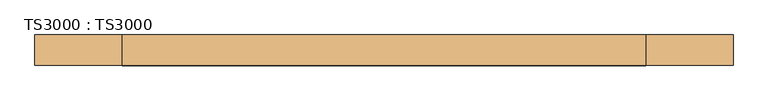
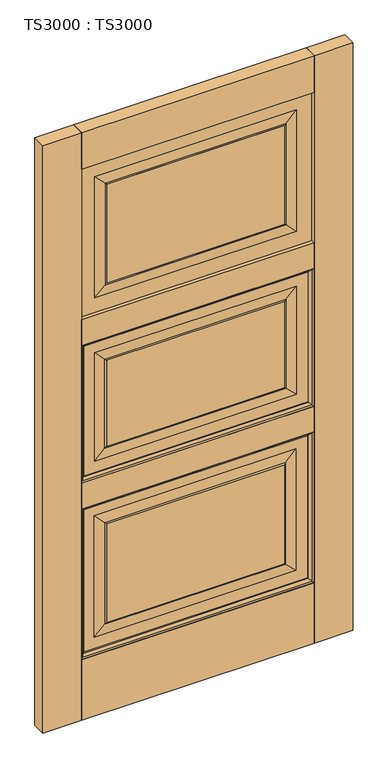
"""IFC4 building model written with IfcOpenShell, lengths in millimetres: door geometry, TS3000 : TS3000."""

from ifc_helpers import new_model, si_unit, frame, origin, origin_with_axes, place, context, project, spatial, polyline, ellipse_curve, outline, extrude, source, transform, mapped, element, save
from ifc_brep_helpers import plane_surface, revolved_surface, advanced_brep


def ts3000_ts3000_dfe12d88(model_context):
    return source(origin(), model_context, "Body", "SolidModel", [
        advanced_brep(
        [(889.0, -12.7, 1295.4), (889.0, -31.75, 1295.4), (889.0, -31.75, 819.15), (889.0, -12.7, 819.15), (127.0, -31.75, 1295.4), (127.0, -31.75, 819.15), (838.2, -31.75, 869.95), (177.8, -31.75, 869.95), (177.8, -31.75, 1244.6), (838.2, -31.75, 1244.6), (127.0, -12.7, 819.15), (127.0, -12.7, 1295.4), (838.2, -12.7, 1244.6), (177.8, -12.7, 1244.6), (177.8, -12.7, 869.95), (838.2, -12.7, 869.95), (800.1, -33.3375, 1206.5), (800.1, -11.1125, 1206.5), (800.1, -11.1125, 908.05), (800.1, -33.3375, 908.05), (804.8625, -13.49375, 1211.2625), (804.8625, -13.49375, 903.2875), (215.9, -11.1125, 908.05), (215.9, -33.3375, 908.05), (804.8625, -30.95625, 1211.2625), (804.8625, -30.95625, 903.2875), (211.1375, -13.49375, 903.2875), (215.9, -11.1125, 1206.5), (215.9, -33.3375, 1206.5), (211.1375, -30.95625, 903.2875), (211.1375, -13.49375, 1211.2625), (211.1375, -30.95625, 1211.2625)],
        [
            (0, 1),
            (1, 2),
            (2, 3),
            (3, 0),
            (1, 4),
            (4, 5),
            (5, 2),
            (6, 7),
            (7, 8),
            (8, 9),
            (9, 6),
            (5, 10),
            (10, 3),
            (10, 11),
            (11, 0),
            (12, 13),
            (13, 14),
            (14, 15),
            (15, 12),
            (16, 17),
            (17, 18),
            (18, 19),
            (19, 16),
            (17, 20, ellipse_curve(frame((805.3585938, -6.5484375, 1211.7585938), z_axis=(-0.7071067811865475, 0.0, 0.7071067811865475), x_axis=(-0.7071067811865474, 0.0, -0.7071067811865476)), 9.8471798, 6.9630076)),
            (20, 21),
            (21, 18, ellipse_curve(frame((805.3585938, -6.5484375, 902.7914062), z_axis=(-0.7071067811865475, 0.0, -0.7071067811865475), x_axis=(0.7071067811865474, 0.0, -0.7071067811865476)), 9.8471798, 6.9630076)),
            (18, 22),
            (22, 23),
            (23, 19),
            (24, 16, ellipse_curve(frame((805.3585938, -37.9015625, 1211.7585938), z_axis=(-0.7071067811865475, 0.0, 0.7071067811865475), x_axis=(-0.7071067811865474, 0.0, -0.7071067811865476)), 9.8471798, 6.9630076)),
            (19, 25, ellipse_curve(frame((805.3585938, -37.9015625, 902.7914062), z_axis=(-0.7071067811865475, 0.0, -0.7071067811865475), x_axis=(0.7071067811865474, 0.0, -0.7071067811865476)), 9.8471798, 6.9630076)),
            (25, 24),
            (4, 11),
            (21, 26),
            (26, 22, ellipse_curve(frame((210.6414063, -6.5484375, 902.7914062), z_axis=(-0.7071067811865475, 0.0, 0.7071067811865475), x_axis=(-0.7071067811865476, 0.0, -0.7071067811865474)), 9.8471798, 6.9630076)),
            (22, 27),
            (27, 28),
            (28, 23),
            (23, 29, ellipse_curve(frame((210.6414063, -37.9015625, 902.7914062), z_axis=(-0.7071067811865475, 0.0, 0.7071067811865475), x_axis=(-0.7071067811865476, 0.0, -0.7071067811865474)), 9.8471798, 6.9630076)),
            (29, 25),
            (26, 30),
            (30, 27, ellipse_curve(frame((210.6414063, -6.5484375, 1211.7585938), z_axis=(0.7071067811865475, 0.0, 0.7071067811865475), x_axis=(-0.7071067811865474, 0.0, 0.7071067811865476)), 9.8471798, 6.9630076)),
            (28, 31, ellipse_curve(frame((210.6414063, -37.9015625, 1211.7585938), z_axis=(0.7071067811865475, 0.0, 0.7071067811865475), x_axis=(-0.7071067811865474, 0.0, 0.7071067811865476)), 9.8471798, 6.9630076)),
            (31, 29),
            (6, 25),
            (29, 7),
            (31, 8),
            (9, 24),
            (26, 14),
            (13, 30),
            (21, 15),
            (20, 12),
            (27, 17),
            (16, 28),
            (31, 24),
            (20, 30),
        ],
        [
            plane_surface(frame((889.0, -31.75, 1295.4), z_axis=(1.0, 0.0, 0.0), x_axis=(0.0, 0.0, -1.0))),
            plane_surface(frame((177.8, -31.75, 1244.6), z_axis=(0.0, -1.0, 0.0), x_axis=(1.0, 0.0, 0.0))),
            plane_surface(frame((889.0, -31.75, 819.15), z_axis=(0.0, 0.0, -1.0), x_axis=(-1.0, 0.0, 0.0))),
            plane_surface(frame((127.0, -12.7, 1295.4), z_axis=(0.0, 1.0, 0.0), x_axis=(1.0, 0.0, 0.0))),
            plane_surface(frame((800.1, -11.1125, 1206.5), z_axis=(-1.0, 0.0, 0.0), x_axis=(0.0, 0.0, -1.0))),
            revolved_surface(polyline([(798.3955862, -6.5484375, 895.8283985878568), (798.3955862, -6.5484375, 1218.7216014121432)]), (805.3585938, -6.5484375, 1206.5), (0.0, 0.0, -1.0)),
            plane_surface(frame((800.1, -11.1125, 908.05), z_axis=(0.0, 0.0, 1.0), x_axis=(-1.0, 0.0, 0.0))),
            revolved_surface(polyline([(798.3955862, -37.9015625, 895.8283985878568), (798.3955862, -37.9015625, 1218.7216014121432)]), (805.3585938, -37.9015625, 1206.5), (0.0, 0.0, -1.0)),
            plane_surface(frame((127.0, -31.75, 819.15), z_axis=(-1.0, 0.0, 0.0), x_axis=(0.0, 0.0, 1.0))),
            revolved_surface(polyline([(203.67839868785677, -6.5484375, 909.7544138), (812.3216014121432, -6.5484375, 909.7544138)]), (800.1, -6.5484375, 902.7914062), (-1.0, 0.0, 0.0)),
            plane_surface(frame((215.9, -11.1125, 908.05), z_axis=(1.0, 0.0, 0.0), x_axis=(0.0, 0.0, 1.0))),
            revolved_surface(polyline([(203.67839868785677, -37.9015625, 909.7544138), (812.3216014121432, -37.9015625, 909.7544138)]), (800.1, -37.9015625, 902.7914062), (-1.0, 0.0, 0.0)),
            revolved_surface(polyline([(217.6044139, -6.5484375, 1218.7216014121432), (217.6044139, -6.5484375, 895.8283985878568)]), (210.6414063, -6.5484375, 908.05), (0.0, 0.0, 1.0)),
            revolved_surface(polyline([(217.6044139, -37.9015625, 1218.7216014121432), (217.6044139, -37.9015625, 895.8283985878568)]), (210.6414063, -37.9015625, 908.05), (0.0, 0.0, 1.0)),
            plane_surface(frame((804.8625, -30.95625, 903.2875), z_axis=(0.0, -0.9997166737441345, 0.023802777946362628), x_axis=(-1.0, 0.0, 0.0))),
            plane_surface(frame((211.1375, -30.95625, 903.2875), z_axis=(0.02380277794635939, -0.9997166737441346, 0.0), x_axis=(0.0, 0.0, 1.0))),
            plane_surface(frame((804.8625, -30.95625, 1211.2625), z_axis=(-0.023802777946365865, -0.9997166737441344, 0.0), x_axis=(0.0, 0.0, -1.0))),
            plane_surface(frame((177.8, -12.7, 869.95), z_axis=(0.0238027779463033, 0.9997166737441359, 0.0), x_axis=(0.0, 0.0, 1.0))),
            plane_surface(frame((838.2, -12.7, 869.95), z_axis=(0.0, 0.999716673744136, 0.023802777946300063), x_axis=(-1.0, 0.0, 0.0))),
            plane_surface(frame((838.2, -12.7, 1244.6), z_axis=(-0.023802777946296826, 0.9997166737441361, 0.0), x_axis=(0.0, 0.0, -1.0))),
            plane_surface(frame((127.0, -31.75, 1295.4), z_axis=(0.0, 0.0, 1.0), x_axis=(1.0, 0.0, 0.0))),
            plane_surface(frame((215.9, -11.1125, 1206.5), z_axis=(0.0, 0.0, -1.0), x_axis=(1.0, 0.0, 0.0))),
            plane_surface(frame((211.1375, -30.95625, 1211.2625), z_axis=(0.0, -0.9997166737441345, -0.023802777946362628), x_axis=(1.0, 0.0, 0.0))),
            plane_surface(frame((177.8, -12.7, 1244.6), z_axis=(0.0, 0.999716673744136, -0.023802777946300063), x_axis=(1.0, 0.0, 0.0))),
            revolved_surface(polyline([(812.3216014121432, -6.5484375, 1204.7955862), (203.6783986878568, -6.5484375, 1204.7955862)]), (215.9, -6.5484375, 1211.7585938), (1.0, 0.0, 0.0)),
            revolved_surface(polyline([(812.3216014121432, -37.9015625, 1204.7955862), (203.6783986878568, -37.9015625, 1204.7955862)]), (215.9, -37.9015625, 1211.7585938), (1.0, 0.0, 0.0)),
        ],
        [
            (0, [[1, 2, 3, 4]]),
            (1, [[5, 6, 7, -2], [8, 9, 10, 11]]),
            (2, [[-3, -7, 12, 13]]),
            (3, [[-13, 14, 15, -4], [16, 17, 18, 19]]),
            (4, [[20, 21, 22, 23]]),
            (5, [[24, 25, 26, -21]]),
            (6, [[-22, 27, 28, 29]]),
            (7, [[30, -23, 31, 32]]),
            (8, [[-12, -6, 33, -14]]),
            (9, [[-26, 34, 35, -27]]),
            (10, [[-28, 36, 37, 38]]),
            (11, [[-31, -29, 39, 40]]),
            (12, [[-35, 41, 42, -36]]),
            (13, [[-39, -38, 43, 44]]),
            (14, [[45, -40, 46, -8]]),
            (15, [[-46, -44, 47, -9]]),
            (16, [[48, -32, -45, -11]]),
            (17, [[49, -17, 50, -41]]),
            (18, [[51, -18, -49, -34]]),
            (19, [[52, -19, -51, -25]]),
            (20, [[-33, -5, -1, -15]]),
            (21, [[-37, 53, -20, 54]]),
            (22, [[-47, 55, -48, -10]]),
            (23, [[-50, -16, -52, 56]]),
            (24, [[-42, -56, -24, -53]]),
            (25, [[-43, -54, -30, -55]]),
        ],
    ),
        extrude(outline(polyline([(889.0, -44.45), (127.0, -44.45), (127.0, 0.0), (889.0, 0.0), (889.0, -44.45)])), origin_with_axes(), (0.0, 0.0, 1.0), 209.55),
        extrude(outline(polyline([(889.0, -44.45), (127.0, -44.45), (127.0, 0.0), (889.0, 0.0), (889.0, -44.45)])), frame((0.0, 0.0, 730.25), z_axis=(0.0, 0.0, 1.0), x_axis=(1.0, 0.0, 0.0)), (0.0, 0.0, 1.0), 88.9),
        extrude(outline(polyline([(889.0, -44.45), (127.0, -44.45), (127.0, 0.0), (889.0, 0.0), (889.0, -44.45)])), frame((0.0, 0.0, 1905.0), z_axis=(0.0, 0.0, 1.0), x_axis=(1.0, 0.0, 0.0)), (0.0, 0.0, 1.0), 127.0),
        extrude(outline(polyline([(889.0, -44.45), (127.0, -44.45), (127.0, 0.0), (889.0, 0.0), (889.0, -44.45)])), frame((0.0, 0.0, 1295.4), z_axis=(0.0, 0.0, 1.0), x_axis=(1.0, 0.0, 0.0)), (0.0, 0.0, 1.0), 88.9),
        extrude(outline(polyline([(1016.0, -44.45), (889.0, -44.45), (889.0, 0.0), (1016.0, 0.0), (1016.0, -44.45)])), origin_with_axes(), (0.0, 0.0, 1.0), 2032.0),
        extrude(outline(polyline([(127.0, -44.45), (0.0, -44.45), (0.0, 0.0), (127.0, 0.0), (127.0, -44.45)])), origin_with_axes(), (0.0, 0.0, 1.0), 2032.0),
        advanced_brep(
        [(889.0, -15.875, 730.25), (889.0, -28.575, 730.25), (889.0, -28.575, 209.55), (889.0, -15.875, 209.55), (800.1, -33.3375, 641.35), (800.1, -11.1125, 641.35), (800.1, -11.1125, 298.45), (800.1, -33.3375, 298.45), (127.0, -28.575, 209.55), (127.0, -15.875, 209.55), (215.9, -11.1125, 298.45), (215.9, -33.3375, 298.45), (127.0, -28.575, 730.25), (127.0, -15.875, 730.25), (215.9, -11.1125, 641.35), (215.9, -33.3375, 641.35), (838.2, -28.575, 260.35), (177.8, -28.575, 260.35), (177.8, -28.575, 679.45), (838.2, -28.575, 679.45), (838.2, -15.875, 679.45), (177.8, -15.875, 679.45), (177.8, -15.875, 260.35), (838.2, -15.875, 260.35), (804.8625, -30.95625, 646.1125), (804.8625, -30.95625, 293.6875), (211.1375, -30.95625, 293.6875), (211.1375, -30.95625, 646.1125), (804.8625, -13.49375, 646.1125), (804.8625, -13.49375, 293.6875), (211.1375, -13.49375, 293.6875), (211.1375, -13.49375, 646.1125)],
        [
            (0, 1),
            (1, 2),
            (2, 3),
            (3, 0),
            (4, 5),
            (5, 6),
            (6, 7),
            (7, 4),
            (2, 8),
            (8, 9),
            (9, 3),
            (6, 10),
            (10, 11),
            (11, 7),
            (8, 12),
            (12, 13),
            (13, 9),
            (10, 14),
            (14, 15),
            (15, 11),
            (1, 12),
            (16, 17),
            (17, 18),
            (18, 19),
            (19, 16),
            (0, 13),
            (20, 21),
            (21, 22),
            (22, 23),
            (23, 20),
            (14, 5),
            (4, 15),
            (19, 24),
            (24, 25),
            (25, 16),
            (25, 26),
            (26, 17),
            (26, 27),
            (27, 18),
            (27, 24),
            (28, 20),
            (23, 29),
            (29, 28),
            (5, 28, ellipse_curve(frame((805.3585938, -6.5484375, 646.6085938), z_axis=(-0.7071067811865475, 0.0, 0.7071067811865475), x_axis=(-0.7071067811865474, 0.0, -0.7071067811865476)), 9.8471798, 6.9630076)),
            (29, 6, ellipse_curve(frame((805.3585938, -6.5484375, 293.1914062), z_axis=(-0.7071067811865475, 0.0, -0.7071067811865475), x_axis=(0.7071067811865474, 0.0, -0.7071067811865476)), 9.8471798, 6.9630076)),
            (24, 4, ellipse_curve(frame((805.3585938, -37.9015625, 646.6085938), z_axis=(-0.7071067811865475, 0.0, 0.7071067811865475), x_axis=(-0.7071067811865474, 0.0, -0.7071067811865476)), 9.8471798, 6.9630076)),
            (7, 25, ellipse_curve(frame((805.3585938, -37.9015625, 293.1914062), z_axis=(-0.7071067811865475, 0.0, -0.7071067811865475), x_axis=(0.7071067811865474, 0.0, -0.7071067811865476)), 9.8471798, 6.9630076)),
            (22, 30),
            (30, 29),
            (30, 10, ellipse_curve(frame((210.6414063, -6.5484375, 293.1914062), z_axis=(-0.7071067811865475, 0.0, 0.7071067811865475), x_axis=(-0.7071067811865476, 0.0, -0.7071067811865474)), 9.8471798, 6.9630076)),
            (11, 26, ellipse_curve(frame((210.6414063, -37.9015625, 293.1914062), z_axis=(-0.7071067811865475, 0.0, 0.7071067811865475), x_axis=(-0.7071067811865476, 0.0, -0.7071067811865474)), 9.8471798, 6.9630076)),
            (21, 31),
            (31, 30),
            (31, 14, ellipse_curve(frame((210.6414063, -6.5484375, 646.6085938), z_axis=(0.7071067811865475, 0.0, 0.7071067811865475), x_axis=(-0.7071067811865474, 0.0, 0.7071067811865476)), 9.8471798, 6.9630076)),
            (15, 27, ellipse_curve(frame((210.6414063, -37.9015625, 646.6085938), z_axis=(0.7071067811865475, 0.0, 0.7071067811865475), x_axis=(-0.7071067811865474, 0.0, 0.7071067811865476)), 9.8471798, 6.9630076)),
            (28, 31),
        ],
        [
            plane_surface(frame((889.0, -28.575, 730.25), z_axis=(1.0, 0.0, 0.0), x_axis=(0.0, 0.0, -1.0))),
            plane_surface(frame((800.1, -11.1125, 641.35), z_axis=(-1.0, 0.0, 0.0), x_axis=(0.0, 0.0, -1.0))),
            plane_surface(frame((889.0, -28.575, 209.55), z_axis=(0.0, 0.0, -1.0), x_axis=(-1.0, 0.0, 0.0))),
            plane_surface(frame((800.1, -11.1125, 298.45), z_axis=(0.0, 0.0, 1.0), x_axis=(-1.0, 0.0, 0.0))),
            plane_surface(frame((127.0, -28.575, 209.55), z_axis=(-1.0, 0.0, 0.0), x_axis=(0.0, 0.0, 1.0))),
            plane_surface(frame((215.9, -11.1125, 298.45), z_axis=(1.0, 0.0, 0.0), x_axis=(0.0, 0.0, 1.0))),
            plane_surface(frame((177.8, -28.575, 679.45), z_axis=(0.0, -1.0, 0.0), x_axis=(1.0, 0.0, 0.0))),
            plane_surface(frame((127.0, -28.575, 730.25), z_axis=(0.0, 0.0, 1.0), x_axis=(1.0, 0.0, 0.0))),
            plane_surface(frame((127.0, -15.875, 730.25), z_axis=(0.0, 1.0, 0.0), x_axis=(1.0, 0.0, 0.0))),
            plane_surface(frame((215.9, -11.1125, 641.35), z_axis=(0.0, 0.0, -1.0), x_axis=(1.0, 0.0, 0.0))),
            plane_surface(frame((804.8625, -30.95625, 646.1125), z_axis=(0.07124704998802811, -0.9974586998307265, 0.0), x_axis=(0.0, 0.0, -1.0))),
            plane_surface(frame((804.8625, -30.95625, 293.6875), z_axis=(0.0, -0.9974586998307263, -0.07124704998803134), x_axis=(-1.0, 0.0, 0.0))),
            plane_surface(frame((211.1375, -30.95625, 293.6875), z_axis=(-0.07124704998803458, -0.9974586998307261, 0.0), x_axis=(0.0, 0.0, 1.0))),
            plane_surface(frame((211.1375, -30.95625, 646.1125), z_axis=(0.0, -0.9974586998307263, 0.07124704998803134), x_axis=(1.0, 0.0, 0.0))),
            plane_surface(frame((838.2, -15.875, 679.45), z_axis=(0.07124704998803484, 0.9974586998307261, 0.0), x_axis=(0.0, 0.0, -1.0))),
            revolved_surface(polyline([(798.3955862, -6.5484375, 286.2283985878568), (798.3955862, -6.5484375, 653.5716014121432)]), (805.3585938, -6.5484375, 641.35), (0.0, 0.0, -1.0)),
            revolved_surface(polyline([(798.3955862, -37.9015625, 286.2283985878568), (798.3955862, -37.9015625, 653.5716014121432)]), (805.3585938, -37.9015625, 641.35), (0.0, 0.0, -1.0)),
            plane_surface(frame((838.2, -15.875, 260.35), z_axis=(0.0, 0.9974586998307263, -0.07124704998803161), x_axis=(-1.0, 0.0, 0.0))),
            revolved_surface(polyline([(203.67839868785677, -6.5484375, 300.15441380000004), (812.3216014121432, -6.5484375, 300.15441380000004)]), (800.1, -6.5484375, 293.1914062), (-1.0, 0.0, 0.0)),
            revolved_surface(polyline([(203.67839868785677, -37.9015625, 300.15441380000004), (812.3216014121432, -37.9015625, 300.15441380000004)]), (800.1, -37.9015625, 293.1914062), (-1.0, 0.0, 0.0)),
            plane_surface(frame((177.8, -15.875, 260.35), z_axis=(-0.07124704998802837, 0.9974586998307265, 0.0), x_axis=(0.0, 0.0, 1.0))),
            revolved_surface(polyline([(217.6044139, -6.5484375, 653.5716014121432), (217.6044139, -6.5484375, 286.2283985878568)]), (210.6414063, -6.5484375, 298.45), (0.0, 0.0, 1.0)),
            revolved_surface(polyline([(217.6044139, -37.9015625, 653.5716014121432), (217.6044139, -37.9015625, 286.2283985878568)]), (210.6414063, -37.9015625, 298.45), (0.0, 0.0, 1.0)),
            plane_surface(frame((177.8, -15.875, 679.45), z_axis=(0.0, 0.9974586998307263, 0.07124704998803161), x_axis=(1.0, 0.0, 0.0))),
            revolved_surface(polyline([(812.3216014121432, -6.5484375, 639.6455862), (203.6783986878568, -6.5484375, 639.6455862)]), (215.9, -6.5484375, 646.6085938), (1.0, 0.0, 0.0)),
            revolved_surface(polyline([(812.3216014121432, -37.9015625, 639.6455862), (203.6783986878568, -37.9015625, 639.6455862)]), (215.9, -37.9015625, 646.6085938), (1.0, 0.0, 0.0)),
        ],
        [
            (0, [[1, 2, 3, 4]]),
            (1, [[5, 6, 7, 8]]),
            (2, [[-3, 9, 10, 11]]),
            (3, [[-7, 12, 13, 14]]),
            (4, [[-10, 15, 16, 17]]),
            (5, [[-13, 18, 19, 20]]),
            (6, [[21, -15, -9, -2], [22, 23, 24, 25]]),
            (7, [[-16, -21, -1, 26]]),
            (8, [[-11, -17, -26, -4], [27, 28, 29, 30]]),
            (9, [[-19, 31, -5, 32]]),
            (10, [[33, 34, 35, -25]]),
            (11, [[-35, 36, 37, -22]]),
            (12, [[-37, 38, 39, -23]]),
            (13, [[-39, 40, -33, -24]]),
            (14, [[41, -30, 42, 43]]),
            (15, [[44, -43, 45, -6]]),
            (16, [[46, -8, 47, -34]]),
            (17, [[-42, -29, 48, 49]]),
            (18, [[-45, -49, 50, -12]]),
            (19, [[-47, -14, 51, -36]]),
            (20, [[-48, -28, 52, 53]]),
            (21, [[-50, -53, 54, -18]]),
            (22, [[-51, -20, 55, -38]]),
            (23, [[-52, -27, -41, 56]]),
            (24, [[-54, -56, -44, -31]]),
            (25, [[-55, -32, -46, -40]]),
        ],
    ),
        advanced_brep(
        [(889.0, -12.7, 1905.0), (889.0, -31.75, 1905.0), (889.0, -31.75, 1384.3), (889.0, -12.7, 1384.3), (800.1, -33.3375, 1816.1), (800.1, -11.1125, 1816.1), (800.1, -11.1125, 1473.2), (800.1, -33.3375, 1473.2), (127.0, -31.75, 1384.3), (127.0, -12.7, 1384.3), (215.9, -11.1125, 1473.2), (215.9, -33.3375, 1473.2), (127.0, -31.75, 1905.0), (127.0, -12.7, 1905.0), (215.9, -11.1125, 1816.1), (215.9, -33.3375, 1816.1), (838.2, -31.75, 1435.1), (177.8, -31.75, 1435.1), (177.8, -31.75, 1854.2), (838.2, -31.75, 1854.2), (838.2, -12.7, 1854.2), (177.8, -12.7, 1854.2), (177.8, -12.7, 1435.1), (838.2, -12.7, 1435.1), (804.8625, -32.54375, 1820.8625), (804.8625, -32.54375, 1468.4375), (211.1375, -32.54375, 1468.4375), (211.1375, -32.54375, 1820.8625), (804.8625, -11.90625, 1820.8625), (804.8625, -11.90625, 1468.4375), (211.1375, -11.90625, 1468.4375), (211.1375, -11.90625, 1820.8625)],
        [
            (0, 1),
            (1, 2),
            (2, 3),
            (3, 0),
            (4, 5),
            (5, 6),
            (6, 7),
            (7, 4),
            (2, 8),
            (8, 9),
            (9, 3),
            (6, 10),
            (10, 11),
            (11, 7),
            (8, 12),
            (12, 13),
            (13, 9),
            (10, 14),
            (14, 15),
            (15, 11),
            (1, 12),
            (16, 17),
            (17, 18),
            (18, 19),
            (19, 16),
            (0, 13),
            (20, 21),
            (21, 22),
            (22, 23),
            (23, 20),
            (14, 5),
            (4, 15),
            (19, 24),
            (24, 25),
            (25, 16),
            (25, 26),
            (26, 17),
            (26, 27),
            (27, 18),
            (27, 24),
            (28, 20),
            (23, 29),
            (29, 28),
            (5, 28, ellipse_curve(frame((805.3585938, 5.7546875, 1821.3585938), z_axis=(-0.7071067811865475, 0.0, 0.7071067811865475), x_axis=(-0.7071067811865474, 0.0, -0.7071067811865476)), 24.9861891, 17.6679037)),
            (29, 6, ellipse_curve(frame((805.3585938, 5.7546875, 1467.9414063), z_axis=(-0.7071067811865475, 0.0, -0.7071067811865475), x_axis=(0.7071067811865474, 0.0, -0.7071067811865476)), 24.9861891, 17.6679037)),
            (24, 4, ellipse_curve(frame((805.3585938, -50.2046875, 1821.3585938), z_axis=(-0.7071067811865475, 0.0, 0.7071067811865475), x_axis=(-0.7071067811865474, 0.0, -0.7071067811865476)), 24.9861891, 17.6679037)),
            (7, 25, ellipse_curve(frame((805.3585938, -50.2046875, 1467.9414063), z_axis=(-0.7071067811865475, 0.0, -0.7071067811865475), x_axis=(0.7071067811865474, 0.0, -0.7071067811865476)), 24.9861891, 17.6679037)),
            (22, 30),
            (30, 29),
            (30, 10, ellipse_curve(frame((210.6414063, 5.7546875, 1467.9414063), z_axis=(-0.7071067811865475, 0.0, 0.7071067811865475), x_axis=(-0.7071067811865476, 0.0, -0.7071067811865474)), 24.9861891, 17.6679037)),
            (11, 26, ellipse_curve(frame((210.6414063, -50.2046875, 1467.9414063), z_axis=(-0.7071067811865475, 0.0, 0.7071067811865475), x_axis=(-0.7071067811865476, 0.0, -0.7071067811865474)), 24.9861891, 17.6679037)),
            (21, 31),
            (31, 30),
            (31, 14, ellipse_curve(frame((210.6414063, 5.7546875, 1821.3585938), z_axis=(0.7071067811865475, 0.0, 0.7071067811865475), x_axis=(-0.7071067811865474, 0.0, 0.7071067811865476)), 24.9861891, 17.6679037)),
            (15, 27, ellipse_curve(frame((210.6414063, -50.2046875, 1821.3585938), z_axis=(0.7071067811865475, 0.0, 0.7071067811865475), x_axis=(-0.7071067811865474, 0.0, 0.7071067811865476)), 24.9861891, 17.6679037)),
            (28, 31),
        ],
        [
            plane_surface(frame((889.0, -31.75, 1905.0), z_axis=(1.0, 0.0, 0.0), x_axis=(0.0, 0.0, -1.0))),
            plane_surface(frame((800.1, -11.1125, 1816.1), z_axis=(-1.0, 0.0, 0.0), x_axis=(0.0, 0.0, -1.0))),
            plane_surface(frame((889.0, -31.75, 1384.3), z_axis=(0.0, 0.0, -1.0), x_axis=(-1.0, 0.0, 0.0))),
            plane_surface(frame((800.1, -11.1125, 1473.2), z_axis=(0.0, 0.0, 1.0), x_axis=(-1.0, 0.0, 0.0))),
            plane_surface(frame((127.0, -31.75, 1384.3), z_axis=(-1.0, 0.0, 0.0), x_axis=(0.0, 0.0, 1.0))),
            plane_surface(frame((215.9, -11.1125, 1473.2), z_axis=(1.0, 0.0, 0.0), x_axis=(0.0, 0.0, 1.0))),
            plane_surface(frame((177.8, -31.75, 1854.2), z_axis=(0.0, -1.0, 0.0), x_axis=(1.0, 0.0, 0.0))),
            plane_surface(frame((127.0, -31.75, 1905.0), z_axis=(0.0, 0.0, 1.0), x_axis=(1.0, 0.0, 0.0))),
            plane_surface(frame((127.0, -12.7, 1905.0), z_axis=(0.0, 1.0, 0.0), x_axis=(1.0, 0.0, 0.0))),
            plane_surface(frame((215.9, -11.1125, 1816.1), z_axis=(0.0, 0.0, -1.0), x_axis=(1.0, 0.0, 0.0))),
            plane_surface(frame((804.8625, -32.54375, 1820.8625), z_axis=(0.02380277794632505, -0.9997166737441353, 0.0), x_axis=(0.0, 0.0, -1.0))),
            plane_surface(frame((804.8625, -32.54375, 1468.4375), z_axis=(0.0, -0.9997166737441353, -0.02380277794632829), x_axis=(-1.0, 0.0, 0.0))),
            plane_surface(frame((211.1375, -32.54375, 1468.4375), z_axis=(-0.023802777946331528, -0.9997166737441352, 0.0), x_axis=(0.0, 0.0, 1.0))),
            plane_surface(frame((211.1375, -32.54375, 1820.8625), z_axis=(0.0, -0.9997166737441353, 0.02380277794632829), x_axis=(1.0, 0.0, 0.0))),
            plane_surface(frame((838.2, -12.7, 1854.2), z_axis=(0.023802777946332287, 0.9997166737441352, 0.0), x_axis=(0.0, 0.0, -1.0))),
            revolved_surface(polyline([(787.6906901, 5.7546875, 1450.2735025513805), (787.6906901, 5.7546875, 1839.0264975486195)]), (805.3585938, 5.7546875, 1816.1), (0.0, 0.0, -1.0)),
            revolved_surface(polyline([(787.6906901, -50.2046875, 1450.2735025513805), (787.6906901, -50.2046875, 1839.0264975486195)]), (805.3585938, -50.2046875, 1816.1), (0.0, 0.0, -1.0)),
            plane_surface(frame((838.2, -12.7, 1435.1), z_axis=(0.0, 0.9997166737441353, -0.02380277794632905), x_axis=(-1.0, 0.0, 0.0))),
            revolved_surface(polyline([(192.97350255138053, 5.7546875, 1485.6093099999998), (823.0264975486194, 5.7546875, 1485.6093099999998)]), (800.1, 5.7546875, 1467.9414063), (-1.0, 0.0, 0.0)),
            revolved_surface(polyline([(192.97350255138053, -50.2046875, 1485.6093099999998), (823.0264975486194, -50.2046875, 1485.6093099999998)]), (800.1, -50.2046875, 1467.9414063), (-1.0, 0.0, 0.0)),
            plane_surface(frame((177.8, -12.7, 1435.1), z_axis=(-0.023802777946325814, 0.9997166737441354, 0.0), x_axis=(0.0, 0.0, 1.0))),
            revolved_surface(polyline([(228.30931, 5.7546875, 1839.0264975486195), (228.30931, 5.7546875, 1450.2735025513805)]), (210.6414063, 5.7546875, 1473.2), (0.0, 0.0, 1.0)),
            revolved_surface(polyline([(228.30931, -50.2046875, 1839.0264975486195), (228.30931, -50.2046875, 1450.2735025513805)]), (210.6414063, -50.2046875, 1473.2), (0.0, 0.0, 1.0)),
            plane_surface(frame((177.8, -12.7, 1854.2), z_axis=(0.0, 0.9997166737441353, 0.02380277794632905), x_axis=(1.0, 0.0, 0.0))),
            revolved_surface(polyline([(823.0264975486194, 5.7546875, 1803.6906901000002), (192.9735025513806, 5.7546875, 1803.6906901000002)]), (215.9, 5.7546875, 1821.3585938), (1.0, 0.0, 0.0)),
            revolved_surface(polyline([(823.0264975486194, -50.2046875, 1803.6906901000002), (192.9735025513806, -50.2046875, 1803.6906901000002)]), (215.9, -50.2046875, 1821.3585938), (1.0, 0.0, 0.0)),
        ],
        [
            (0, [[1, 2, 3, 4]]),
            (1, [[5, 6, 7, 8]]),
            (2, [[-3, 9, 10, 11]]),
            (3, [[-7, 12, 13, 14]]),
            (4, [[-10, 15, 16, 17]]),
            (5, [[-13, 18, 19, 20]]),
            (6, [[21, -15, -9, -2], [22, 23, 24, 25]]),
            (7, [[-16, -21, -1, 26]]),
            (8, [[-11, -17, -26, -4], [27, 28, 29, 30]]),
            (9, [[-19, 31, -5, 32]]),
            (10, [[33, 34, 35, -25]]),
            (11, [[-35, 36, 37, -22]]),
            (12, [[-37, 38, 39, -23]]),
            (13, [[-39, 40, -33, -24]]),
            (14, [[41, -30, 42, 43]]),
            (15, [[44, -43, 45, -6]]),
            (16, [[46, -8, 47, -34]]),
            (17, [[-42, -29, 48, 49]]),
            (18, [[-45, -49, 50, -12]]),
            (19, [[-47, -14, 51, -36]]),
            (20, [[-48, -28, 52, 53]]),
            (21, [[-50, -53, 54, -18]]),
            (22, [[-51, -20, 55, -38]]),
            (23, [[-52, -27, -41, 56]]),
            (24, [[-54, -56, -44, -31]]),
            (25, [[-55, -32, -46, -40]]),
        ],
    ),
        extrude(outline(polyline([(215.9, -11.1125), (800.1, -11.1125), (800.1, -33.3375), (215.9, -33.3375), (215.9, -11.1125)])), frame((0.0, 0.0, 1473.2), z_axis=(0.0, 0.0, 1.0), x_axis=(1.0, 0.0, 0.0)), (0.0, 0.0, 1.0), 342.9),
        extrude(outline(polyline([(215.9, -11.1125), (800.1, -11.1125), (800.1, -33.3375), (215.9, -33.3375), (215.9, -11.1125)])), frame((0.0, 0.0, 298.45), z_axis=(0.0, 0.0, 1.0), x_axis=(1.0, 0.0, 0.0)), (0.0, 0.0, 1.0), 342.9),
        extrude(outline(polyline([(215.9, -11.1125), (800.1, -11.1125), (800.1, -33.3375), (215.9, -33.3375), (215.9, -11.1125)])), frame((0.0, 0.0, 908.05), z_axis=(0.0, 0.0, 1.0), x_axis=(1.0, 0.0, 0.0)), (0.0, 0.0, 1.0), 298.45),
        advanced_brep(
        [(889.0, -31.75, 730.25), (889.0, -44.4610047, 730.25), (889.0, -44.4610047, 209.55), (889.0, -31.75, 209.55), (876.2912454, -34.925, 717.5412454), (876.2912454, -31.75, 717.5412454), (876.2912454, -31.75, 222.2587546), (876.2912454, -34.925, 222.2587546), (884.1328423, -41.275, 725.3828423), (884.1328423, -41.275, 214.4171577), (127.0, -44.4610047, 209.55), (127.0, -31.75, 209.55), (139.7087546, -31.75, 222.2587546), (139.7087546, -34.925, 222.2587546), (131.8671577, -41.275, 214.4171577), (127.0, -44.4610047, 730.25), (127.0, -31.75, 730.25), (139.7087546, -31.75, 717.5412454), (139.7087546, -34.925, 717.5412454), (131.8671577, -41.275, 725.3828423)],
        [
            (0, 1),
            (1, 2),
            (2, 3),
            (3, 0),
            (4, 5),
            (5, 6),
            (6, 7),
            (7, 4),
            (8, 4, ellipse_curve(frame((872.149739, -48.0561173, 713.399739), z_axis=(-0.7071067811865475, 0.0, 0.7071067811865475), x_axis=(-0.7071067811865474, 0.0, -0.7071067811865476)), 19.4719447, 13.7687442)),
            (7, 9, ellipse_curve(frame((872.149739, -48.0561173, 226.400261), z_axis=(-0.7071067811865475, 0.0, -0.7071067811865475), x_axis=(0.7071067811865474, 0.0, -0.7071067811865476)), 19.4719447, 13.7687442)),
            (9, 8),
            (1, 8, ellipse_curve(frame((881.0613821, -51.2778746, 722.3113821), z_axis=(-0.7071067811865475, 0.0, 0.7071067811865475), x_axis=(-0.7071067811865474, 0.0, -0.7071067811865476)), 14.7980653, 10.4638123)),
            (9, 2, ellipse_curve(frame((881.0613821, -51.2778746, 217.4886179), z_axis=(-0.7071067811865475, 0.0, -0.7071067811865475), x_axis=(0.7071067811865474, 0.0, -0.7071067811865476)), 14.7980653, 10.4638123)),
            (2, 10),
            (10, 11),
            (11, 3),
            (6, 12),
            (12, 13),
            (13, 7),
            (13, 14, ellipse_curve(frame((143.850261, -48.0561173, 226.400261), z_axis=(-0.7071067811865475, 0.0, 0.7071067811865475), x_axis=(-0.7071067811865476, 0.0, -0.7071067811865474)), 19.4719447, 13.7687442)),
            (14, 9),
            (14, 10, ellipse_curve(frame((134.9386179, -51.2778746, 217.4886179), z_axis=(-0.7071067811865475, 0.0, 0.7071067811865475), x_axis=(-0.7071067811865476, 0.0, -0.7071067811865474)), 14.7980653, 10.4638123)),
            (10, 15),
            (15, 16),
            (16, 11),
            (12, 17),
            (17, 18),
            (18, 13),
            (18, 19, ellipse_curve(frame((143.850261, -48.0561173, 713.399739), z_axis=(0.7071067811865475, 0.0, 0.7071067811865475), x_axis=(-0.7071067811865474, 0.0, 0.7071067811865476)), 19.4719447, 13.7687442)),
            (19, 14),
            (19, 15, ellipse_curve(frame((134.9386179, -51.2778746, 722.3113821), z_axis=(0.7071067811865475, 0.0, 0.7071067811865475), x_axis=(-0.7071067811865474, 0.0, 0.7071067811865476)), 14.7980653, 10.4638123)),
            (15, 1),
            (0, 16),
            (5, 17),
            (4, 18),
            (8, 19),
        ],
        [
            plane_surface(frame((889.0, -44.4610047, 730.25), z_axis=(1.0, 0.0, 0.0), x_axis=(0.0, 0.0, -1.0))),
            plane_surface(frame((876.2912454, -31.75, 717.5412454), z_axis=(-1.0, 0.0, 0.0), x_axis=(0.0, 0.0, -1.0))),
            revolved_surface(polyline([(858.3809947999999, -48.0561173, 212.6315168597406), (858.3809947999999, -48.0561173, 727.1684831402594)]), (872.149739, -48.0561173, 730.25), (0.0, 0.0, -1.0)),
            revolved_surface(polyline([(870.5975698, -51.2778746, 207.02480557792865), (870.5975698, -51.2778746, 732.7751944220713)]), (881.0613821, -51.2778746, 730.25), (0.0, 0.0, -1.0)),
            plane_surface(frame((889.0, -44.4610047, 209.55), z_axis=(0.0, 0.0, -1.0), x_axis=(-1.0, 0.0, 0.0))),
            plane_surface(frame((876.2912454, -31.75, 222.2587546), z_axis=(0.0, 0.0, 1.0), x_axis=(-1.0, 0.0, 0.0))),
            revolved_surface(polyline([(130.08151685974065, -48.0561173, 240.16900520000002), (885.9184831402594, -48.0561173, 240.16900520000002)]), (889.0, -48.0561173, 226.400261), (-1.0, 0.0, 0.0)),
            revolved_surface(polyline([(124.47480557792869, -51.2778746, 227.9524302), (891.5251944220713, -51.2778746, 227.9524302)]), (889.0, -51.2778746, 217.4886179), (-1.0, 0.0, 0.0)),
            plane_surface(frame((127.0, -44.4610047, 209.55), z_axis=(-1.0, 0.0, 0.0), x_axis=(0.0, 0.0, 1.0))),
            plane_surface(frame((139.7087546, -31.75, 222.2587546), z_axis=(1.0, 0.0, 0.0), x_axis=(0.0, 0.0, 1.0))),
            revolved_surface(polyline([(157.6190052, -48.0561173, 727.1684831402595), (157.6190052, -48.0561173, 212.63151685974054)]), (143.850261, -48.0561173, 209.55), (0.0, 0.0, 1.0)),
            revolved_surface(polyline([(145.4024302, -51.2778746, 732.7751944220713), (145.4024302, -51.2778746, 207.02480557792867)]), (134.9386179, -51.2778746, 209.55), (0.0, 0.0, 1.0)),
            plane_surface(frame((127.0, -44.4610047, 730.25), z_axis=(0.0, 0.0, 1.0), x_axis=(1.0, 0.0, 0.0))),
            plane_surface(frame((127.0, -31.75, 730.25), z_axis=(0.0, 1.0, 0.0), x_axis=(1.0, 0.0, 0.0))),
            plane_surface(frame((139.7087546, -31.75, 717.5412454), z_axis=(0.0, 0.0, -1.0), x_axis=(1.0, 0.0, 0.0))),
            revolved_surface(polyline([(885.9184831402594, -48.0561173, 699.6309947999999), (130.08151685974053, -48.0561173, 699.6309947999999)]), (127.0, -48.0561173, 713.399739), (1.0, 0.0, 0.0)),
            revolved_surface(polyline([(891.5251944220713, -51.2778746, 711.8475698), (124.47480557792866, -51.2778746, 711.8475698)]), (127.0, -51.2778746, 722.3113821), (1.0, 0.0, 0.0)),
        ],
        [
            (0, [[1, 2, 3, 4]]),
            (1, [[5, 6, 7, 8]]),
            (2, [[9, -8, 10, 11]]),
            (3, [[12, -11, 13, -2]]),
            (4, [[-3, 14, 15, 16]]),
            (5, [[-7, 17, 18, 19]]),
            (6, [[-10, -19, 20, 21]]),
            (7, [[-13, -21, 22, -14]]),
            (8, [[-15, 23, 24, 25]]),
            (9, [[-18, 26, 27, 28]]),
            (10, [[-20, -28, 29, 30]]),
            (11, [[-22, -30, 31, -23]]),
            (12, [[-24, 32, -1, 33]]),
            (13, [[-16, -25, -33, -4], [34, -26, -17, -6]]),
            (14, [[-27, -34, -5, 35]]),
            (15, [[-29, -35, -9, 36]]),
            (16, [[-31, -36, -12, -32]]),
        ],
    ),
        advanced_brep(
        [(884.1328423, -3.175, 725.3828423), (889.0, 0.0110047, 730.25), (889.0, 0.0110047, 209.55), (884.1328423, -3.175, 214.4171577), (876.2912454, -9.525, 717.5412454), (876.2912454, -9.525, 222.2587546), (876.2912454, -12.7, 717.5412454), (876.2912454, -12.7, 222.2587546), (889.0, -12.7, 730.25), (889.0, -12.7, 209.55), (127.0, 0.0110047, 209.55), (131.8671577, -3.175, 214.4171577), (139.7087546, -9.525, 222.2587546), (139.7087546, -12.7, 222.2587546), (127.0, -12.7, 209.55), (127.0, 0.0110047, 730.25), (131.8671577, -3.175, 725.3828423), (139.7087546, -9.525, 717.5412454), (139.7087546, -12.7, 717.5412454), (127.0, -12.7, 730.25)],
        [
            (0, 1, ellipse_curve(frame((881.0613821, 6.8278746, 722.3113821), z_axis=(-0.7071067811865475, 0.0, 0.7071067811865475), x_axis=(-0.7071067811865474, 0.0, -0.7071067811865476)), 14.7980653, 10.4638123)),
            (1, 2),
            (2, 3, ellipse_curve(frame((881.0613821, 6.8278746, 217.4886179), z_axis=(-0.7071067811865475, 0.0, -0.7071067811865475), x_axis=(0.7071067811865474, 0.0, -0.7071067811865476)), 14.7980653, 10.4638123)),
            (3, 0),
            (4, 0, ellipse_curve(frame((872.149739, 3.6061173, 713.399739), z_axis=(-0.7071067811865475, 0.0, 0.7071067811865475), x_axis=(-0.7071067811865474, 0.0, -0.7071067811865476)), 19.4719447, 13.7687442)),
            (3, 5, ellipse_curve(frame((872.149739, 3.6061173, 226.400261), z_axis=(-0.7071067811865475, 0.0, -0.7071067811865475), x_axis=(0.7071067811865474, 0.0, -0.7071067811865476)), 19.4719447, 13.7687442)),
            (5, 4),
            (6, 4),
            (5, 7),
            (7, 6),
            (1, 8),
            (8, 9),
            (9, 2),
            (2, 10),
            (10, 11, ellipse_curve(frame((134.9386179, 6.8278746, 217.4886179), z_axis=(-0.7071067811865475, 0.0, 0.7071067811865475), x_axis=(-0.7071067811865476, 0.0, -0.7071067811865474)), 14.7980653, 10.4638123)),
            (11, 3),
            (11, 12, ellipse_curve(frame((143.850261, 3.6061173, 226.400261), z_axis=(-0.7071067811865475, 0.0, 0.7071067811865475), x_axis=(-0.7071067811865476, 0.0, -0.7071067811865474)), 19.4719447, 13.7687442)),
            (12, 5),
            (12, 13),
            (13, 7),
            (9, 14),
            (14, 10),
            (10, 15),
            (15, 16, ellipse_curve(frame((134.9386179, 6.8278746, 722.3113821), z_axis=(0.7071067811865475, 0.0, 0.7071067811865475), x_axis=(-0.7071067811865474, 0.0, 0.7071067811865476)), 14.7980653, 10.4638123)),
            (16, 11),
            (16, 17, ellipse_curve(frame((143.850261, 3.6061173, 713.399739), z_axis=(0.7071067811865475, 0.0, 0.7071067811865475), x_axis=(-0.7071067811865474, 0.0, 0.7071067811865476)), 19.4719447, 13.7687442)),
            (17, 12),
            (17, 18),
            (18, 13),
            (14, 19),
            (19, 15),
            (15, 1),
            (0, 16),
            (4, 17),
            (6, 18),
            (8, 19),
        ],
        [
            revolved_surface(polyline([(870.5975698, 6.8278746, 207.02480557792865), (870.5975698, 6.8278746, 732.7751944220713)]), (881.0613821, 6.8278746, 730.25), (0.0, 0.0, -1.0)),
            revolved_surface(polyline([(858.3809947999999, 3.6061173, 212.6315168597406), (858.3809947999999, 3.6061173, 727.1684831402594)]), (872.149739, 3.6061173, 730.25), (0.0, 0.0, -1.0)),
            plane_surface(frame((876.2912454, -9.525, 717.5412454), z_axis=(-1.0, 0.0, 0.0), x_axis=(0.0, 0.0, -1.0))),
            plane_surface(frame((889.0, -12.7, 730.25), z_axis=(1.0, 0.0, 0.0), x_axis=(0.0, 0.0, -1.0))),
            revolved_surface(polyline([(124.47480557792869, 6.8278746, 227.9524302), (891.5251944220713, 6.8278746, 227.9524302)]), (889.0, 6.8278746, 217.4886179), (-1.0, 0.0, 0.0)),
            revolved_surface(polyline([(130.08151685974065, 3.6061173, 240.16900520000002), (885.9184831402594, 3.6061173, 240.16900520000002)]), (889.0, 3.6061173, 226.400261), (-1.0, 0.0, 0.0)),
            plane_surface(frame((876.2912454, -9.525, 222.2587546), z_axis=(0.0, 0.0, 1.0), x_axis=(-1.0, 0.0, 0.0))),
            plane_surface(frame((889.0, -12.7, 209.55), z_axis=(0.0, 0.0, -1.0), x_axis=(-1.0, 0.0, 0.0))),
            revolved_surface(polyline([(145.4024302, 6.8278746, 732.7751944220713), (145.4024302, 6.8278746, 207.02480557792867)]), (134.9386179, 6.8278746, 209.55), (0.0, 0.0, 1.0)),
            revolved_surface(polyline([(157.6190052, 3.6061173, 727.1684831402595), (157.6190052, 3.6061173, 212.63151685974054)]), (143.850261, 3.6061173, 209.55), (0.0, 0.0, 1.0)),
            plane_surface(frame((139.7087546, -9.525, 222.2587546), z_axis=(1.0, 0.0, 0.0), x_axis=(0.0, 0.0, 1.0))),
            plane_surface(frame((127.0, -12.7, 209.55), z_axis=(-1.0, 0.0, 0.0), x_axis=(0.0, 0.0, 1.0))),
            revolved_surface(polyline([(891.5251944220713, 6.8278746, 711.8475698), (124.47480557792866, 6.8278746, 711.8475698)]), (127.0, 6.8278746, 722.3113821), (1.0, 0.0, 0.0)),
            revolved_surface(polyline([(885.9184831402594, 3.6061173, 699.6309947999999), (130.08151685974053, 3.6061173, 699.6309947999999)]), (127.0, 3.6061173, 713.399739), (1.0, 0.0, 0.0)),
            plane_surface(frame((139.7087546, -9.525, 717.5412454), z_axis=(0.0, 0.0, -1.0), x_axis=(1.0, 0.0, 0.0))),
            plane_surface(frame((139.7087546, -12.7, 717.5412454), z_axis=(0.0, -1.0, 0.0), x_axis=(1.0, 0.0, 0.0))),
            plane_surface(frame((127.0, -12.7, 730.25), z_axis=(0.0, 0.0, 1.0), x_axis=(1.0, 0.0, 0.0))),
        ],
        [
            (0, [[1, 2, 3, 4]]),
            (1, [[5, -4, 6, 7]]),
            (2, [[8, -7, 9, 10]]),
            (3, [[11, 12, 13, -2]]),
            (4, [[-3, 14, 15, 16]]),
            (5, [[-6, -16, 17, 18]]),
            (6, [[-9, -18, 19, 20]]),
            (7, [[-13, 21, 22, -14]]),
            (8, [[-15, 23, 24, 25]]),
            (9, [[-17, -25, 26, 27]]),
            (10, [[-19, -27, 28, 29]]),
            (11, [[-22, 30, 31, -23]]),
            (12, [[-24, 32, -1, 33]]),
            (13, [[-26, -33, -5, 34]]),
            (14, [[-28, -34, -8, 35]]),
            (15, [[36, -30, -21, -12], [-20, -29, -35, -10]]),
            (16, [[-31, -36, -11, -32]]),
        ],
    ),
        advanced_brep(
        [(889.0, -31.75, 1295.4), (889.0, -44.4610047, 1295.4), (889.0, -44.4610047, 819.15), (889.0, -31.75, 819.15), (876.2912454, -34.925, 1282.6912454), (876.2912454, -31.75, 1282.6912454), (876.2912454, -31.75, 831.8587546), (876.2912454, -34.925, 831.8587546), (884.1328423, -41.275, 1290.5328423), (884.1328423, -41.275, 824.0171577), (127.0, -44.4610047, 819.15), (127.0, -31.75, 819.15), (139.7087546, -31.75, 831.8587546), (139.7087546, -34.925, 831.8587546), (131.8671577, -41.275, 824.0171577), (127.0, -44.4610047, 1295.4), (127.0, -31.75, 1295.4), (139.7087546, -31.75, 1282.6912454), (139.7087546, -34.925, 1282.6912454), (131.8671577, -41.275, 1290.5328423)],
        [
            (0, 1),
            (1, 2),
            (2, 3),
            (3, 0),
            (4, 5),
            (5, 6),
            (6, 7),
            (7, 4),
            (8, 4, ellipse_curve(frame((872.149739, -48.0561173, 1278.549739), z_axis=(-0.7071067811865475, 0.0, 0.7071067811865475), x_axis=(-0.7071067811865474, 0.0, -0.7071067811865476)), 19.4719447, 13.7687442)),
            (7, 9, ellipse_curve(frame((872.149739, -48.0561173, 836.000261), z_axis=(-0.7071067811865475, 0.0, -0.7071067811865475), x_axis=(0.7071067811865474, 0.0, -0.7071067811865476)), 19.4719447, 13.7687442)),
            (9, 8),
            (1, 8, ellipse_curve(frame((881.0613821, -51.2778746, 1287.4613821), z_axis=(-0.7071067811865475, 0.0, 0.7071067811865475), x_axis=(-0.7071067811865474, 0.0, -0.7071067811865476)), 14.7980653, 10.4638123)),
            (9, 2, ellipse_curve(frame((881.0613821, -51.2778746, 827.0886179), z_axis=(-0.7071067811865475, 0.0, -0.7071067811865475), x_axis=(0.7071067811865474, 0.0, -0.7071067811865476)), 14.7980653, 10.4638123)),
            (2, 10),
            (10, 11),
            (11, 3),
            (6, 12),
            (12, 13),
            (13, 7),
            (13, 14, ellipse_curve(frame((143.850261, -48.0561173, 836.000261), z_axis=(-0.7071067811865475, 0.0, 0.7071067811865475), x_axis=(-0.7071067811865476, 0.0, -0.7071067811865474)), 19.4719447, 13.7687442)),
            (14, 9),
            (14, 10, ellipse_curve(frame((134.9386179, -51.2778746, 827.0886179), z_axis=(-0.7071067811865475, 0.0, 0.7071067811865475), x_axis=(-0.7071067811865476, 0.0, -0.7071067811865474)), 14.7980653, 10.4638123)),
            (10, 15),
            (15, 16),
            (16, 11),
            (12, 17),
            (17, 18),
            (18, 13),
            (18, 19, ellipse_curve(frame((143.850261, -48.0561173, 1278.549739), z_axis=(0.7071067811865475, 0.0, 0.7071067811865475), x_axis=(-0.7071067811865474, 0.0, 0.7071067811865476)), 19.4719447, 13.7687442)),
            (19, 14),
            (19, 15, ellipse_curve(frame((134.9386179, -51.2778746, 1287.4613821), z_axis=(0.7071067811865475, 0.0, 0.7071067811865475), x_axis=(-0.7071067811865474, 0.0, 0.7071067811865476)), 14.7980653, 10.4638123)),
            (15, 1),
            (0, 16),
            (5, 17),
            (4, 18),
            (8, 19),
        ],
        [
            plane_surface(frame((889.0, -44.4610047, 1295.4), z_axis=(1.0, 0.0, 0.0), x_axis=(0.0, 0.0, -1.0))),
            plane_surface(frame((876.2912454, -31.75, 1282.6912454), z_axis=(-1.0, 0.0, 0.0), x_axis=(0.0, 0.0, -1.0))),
            revolved_surface(polyline([(858.3809947999999, -48.0561173, 822.2315168597406), (858.3809947999999, -48.0561173, 1292.3184831402596)]), (872.149739, -48.0561173, 1295.4), (0.0, 0.0, -1.0)),
            revolved_surface(polyline([(870.5975698, -51.2778746, 816.6248055779287), (870.5975698, -51.2778746, 1297.9251944220714)]), (881.0613821, -51.2778746, 1295.4), (0.0, 0.0, -1.0)),
            plane_surface(frame((889.0, -44.4610047, 819.15), z_axis=(0.0, 0.0, -1.0), x_axis=(-1.0, 0.0, 0.0))),
            plane_surface(frame((876.2912454, -31.75, 831.8587546), z_axis=(0.0, 0.0, 1.0), x_axis=(-1.0, 0.0, 0.0))),
            revolved_surface(polyline([(130.08151685974065, -48.0561173, 849.7690052), (885.9184831402594, -48.0561173, 849.7690052)]), (889.0, -48.0561173, 836.000261), (-1.0, 0.0, 0.0)),
            revolved_surface(polyline([(124.47480557792869, -51.2778746, 837.5524302), (891.5251944220713, -51.2778746, 837.5524302)]), (889.0, -51.2778746, 827.0886179), (-1.0, 0.0, 0.0)),
            plane_surface(frame((127.0, -44.4610047, 819.15), z_axis=(-1.0, 0.0, 0.0), x_axis=(0.0, 0.0, 1.0))),
            plane_surface(frame((139.7087546, -31.75, 831.8587546), z_axis=(1.0, 0.0, 0.0), x_axis=(0.0, 0.0, 1.0))),
            revolved_surface(polyline([(157.6190052, -48.0561173, 1292.3184831402596), (157.6190052, -48.0561173, 822.2315168597406)]), (143.850261, -48.0561173, 819.15), (0.0, 0.0, 1.0)),
            revolved_surface(polyline([(145.4024302, -51.2778746, 1297.9251944220714), (145.4024302, -51.2778746, 816.6248055779287)]), (134.9386179, -51.2778746, 819.15), (0.0, 0.0, 1.0)),
            plane_surface(frame((127.0, -44.4610047, 1295.4), z_axis=(0.0, 0.0, 1.0), x_axis=(1.0, 0.0, 0.0))),
            plane_surface(frame((127.0, -31.75, 1295.4), z_axis=(0.0, 1.0, 0.0), x_axis=(1.0, 0.0, 0.0))),
            plane_surface(frame((139.7087546, -31.75, 1282.6912454), z_axis=(0.0, 0.0, -1.0), x_axis=(1.0, 0.0, 0.0))),
            revolved_surface(polyline([(885.9184831402594, -48.0561173, 1264.7809948000001), (130.08151685974053, -48.0561173, 1264.7809948000001)]), (127.0, -48.0561173, 1278.549739), (1.0, 0.0, 0.0)),
            revolved_surface(polyline([(891.5251944220713, -51.2778746, 1276.9975698), (124.47480557792866, -51.2778746, 1276.9975698)]), (127.0, -51.2778746, 1287.4613821), (1.0, 0.0, 0.0)),
        ],
        [
            (0, [[1, 2, 3, 4]]),
            (1, [[5, 6, 7, 8]]),
            (2, [[9, -8, 10, 11]]),
            (3, [[12, -11, 13, -2]]),
            (4, [[-3, 14, 15, 16]]),
            (5, [[-7, 17, 18, 19]]),
            (6, [[-10, -19, 20, 21]]),
            (7, [[-13, -21, 22, -14]]),
            (8, [[-15, 23, 24, 25]]),
            (9, [[-18, 26, 27, 28]]),
            (10, [[-20, -28, 29, 30]]),
            (11, [[-22, -30, 31, -23]]),
            (12, [[-24, 32, -1, 33]]),
            (13, [[-16, -25, -33, -4], [34, -26, -17, -6]]),
            (14, [[-27, -34, -5, 35]]),
            (15, [[-29, -35, -9, 36]]),
            (16, [[-31, -36, -12, -32]]),
        ],
    ),
        advanced_brep(
        [(884.1328423, -3.175, 1290.5328423), (889.0, 0.0110047, 1295.4), (889.0, 0.0110047, 819.15), (884.1328423, -3.175, 824.0171577), (876.2912454, -9.525, 1282.6912454), (876.2912454, -9.525, 831.8587546), (876.2912454, -12.7, 1282.6912454), (876.2912454, -12.7, 831.8587546), (889.0, -12.7, 1295.4), (889.0, -12.7, 819.15), (127.0, 0.0110047, 819.15), (131.8671577, -3.175, 824.0171577), (139.7087546, -9.525, 831.8587546), (139.7087546, -12.7, 831.8587546), (127.0, -12.7, 819.15), (127.0, 0.0110047, 1295.4), (131.8671577, -3.175, 1290.5328423), (139.7087546, -9.525, 1282.6912454), (139.7087546, -12.7, 1282.6912454), (127.0, -12.7, 1295.4)],
        [
            (0, 1, ellipse_curve(frame((881.0613821, 6.8278746, 1287.4613821), z_axis=(-0.7071067811865475, 0.0, 0.7071067811865475), x_axis=(-0.7071067811865474, 0.0, -0.7071067811865476)), 14.7980653, 10.4638123)),
            (1, 2),
            (2, 3, ellipse_curve(frame((881.0613821, 6.8278746, 827.0886179), z_axis=(-0.7071067811865475, 0.0, -0.7071067811865475), x_axis=(0.7071067811865474, 0.0, -0.7071067811865476)), 14.7980653, 10.4638123)),
            (3, 0),
            (4, 0, ellipse_curve(frame((872.149739, 3.6061173, 1278.549739), z_axis=(-0.7071067811865475, 0.0, 0.7071067811865475), x_axis=(-0.7071067811865474, 0.0, -0.7071067811865476)), 19.4719447, 13.7687442)),
            (3, 5, ellipse_curve(frame((872.149739, 3.6061173, 836.000261), z_axis=(-0.7071067811865475, 0.0, -0.7071067811865475), x_axis=(0.7071067811865474, 0.0, -0.7071067811865476)), 19.4719447, 13.7687442)),
            (5, 4),
            (6, 4),
            (5, 7),
            (7, 6),
            (1, 8),
            (8, 9),
            (9, 2),
            (2, 10),
            (10, 11, ellipse_curve(frame((134.9386179, 6.8278746, 827.0886179), z_axis=(-0.7071067811865475, 0.0, 0.7071067811865475), x_axis=(-0.7071067811865476, 0.0, -0.7071067811865474)), 14.7980653, 10.4638123)),
            (11, 3),
            (11, 12, ellipse_curve(frame((143.850261, 3.6061173, 836.000261), z_axis=(-0.7071067811865475, 0.0, 0.7071067811865475), x_axis=(-0.7071067811865476, 0.0, -0.7071067811865474)), 19.4719447, 13.7687442)),
            (12, 5),
            (12, 13),
            (13, 7),
            (9, 14),
            (14, 10),
            (10, 15),
            (15, 16, ellipse_curve(frame((134.9386179, 6.8278746, 1287.4613821), z_axis=(0.7071067811865475, 0.0, 0.7071067811865475), x_axis=(-0.7071067811865474, 0.0, 0.7071067811865476)), 14.7980653, 10.4638123)),
            (16, 11),
            (16, 17, ellipse_curve(frame((143.850261, 3.6061173, 1278.549739), z_axis=(0.7071067811865475, 0.0, 0.7071067811865475), x_axis=(-0.7071067811865474, 0.0, 0.7071067811865476)), 19.4719447, 13.7687442)),
            (17, 12),
            (17, 18),
            (18, 13),
            (14, 19),
            (19, 15),
            (15, 1),
            (0, 16),
            (4, 17),
            (6, 18),
            (8, 19),
        ],
        [
            revolved_surface(polyline([(870.5975698, 6.8278746, 816.6248055779287), (870.5975698, 6.8278746, 1297.9251944220714)]), (881.0613821, 6.8278746, 1295.4), (0.0, 0.0, -1.0)),
            revolved_surface(polyline([(858.3809947999999, 3.6061173, 822.2315168597406), (858.3809947999999, 3.6061173, 1292.3184831402596)]), (872.149739, 3.6061173, 1295.4), (0.0, 0.0, -1.0)),
            plane_surface(frame((876.2912454, -9.525, 1282.6912454), z_axis=(-1.0, 0.0, 0.0), x_axis=(0.0, 0.0, -1.0))),
            plane_surface(frame((889.0, -12.7, 1295.4), z_axis=(1.0, 0.0, 0.0), x_axis=(0.0, 0.0, -1.0))),
            revolved_surface(polyline([(124.47480557792869, 6.8278746, 837.5524302), (891.5251944220713, 6.8278746, 837.5524302)]), (889.0, 6.8278746, 827.0886179), (-1.0, 0.0, 0.0)),
            revolved_surface(polyline([(130.08151685974065, 3.6061173, 849.7690052), (885.9184831402594, 3.6061173, 849.7690052)]), (889.0, 3.6061173, 836.000261), (-1.0, 0.0, 0.0)),
            plane_surface(frame((876.2912454, -9.525, 831.8587546), z_axis=(0.0, 0.0, 1.0), x_axis=(-1.0, 0.0, 0.0))),
            plane_surface(frame((889.0, -12.7, 819.15), z_axis=(0.0, 0.0, -1.0), x_axis=(-1.0, 0.0, 0.0))),
            revolved_surface(polyline([(145.4024302, 6.8278746, 1297.9251944220714), (145.4024302, 6.8278746, 816.6248055779287)]), (134.9386179, 6.8278746, 819.15), (0.0, 0.0, 1.0)),
            revolved_surface(polyline([(157.6190052, 3.6061173, 1292.3184831402596), (157.6190052, 3.6061173, 822.2315168597406)]), (143.850261, 3.6061173, 819.15), (0.0, 0.0, 1.0)),
            plane_surface(frame((139.7087546, -9.525, 831.8587546), z_axis=(1.0, 0.0, 0.0), x_axis=(0.0, 0.0, 1.0))),
            plane_surface(frame((127.0, -12.7, 819.15), z_axis=(-1.0, 0.0, 0.0), x_axis=(0.0, 0.0, 1.0))),
            revolved_surface(polyline([(891.5251944220713, 6.8278746, 1276.9975698), (124.47480557792866, 6.8278746, 1276.9975698)]), (127.0, 6.8278746, 1287.4613821), (1.0, 0.0, 0.0)),
            revolved_surface(polyline([(885.9184831402594, 3.6061173, 1264.7809948000001), (130.08151685974053, 3.6061173, 1264.7809948000001)]), (127.0, 3.6061173, 1278.549739), (1.0, 0.0, 0.0)),
            plane_surface(frame((139.7087546, -9.525, 1282.6912454), z_axis=(0.0, 0.0, -1.0), x_axis=(1.0, 0.0, 0.0))),
            plane_surface(frame((139.7087546, -12.7, 1282.6912454), z_axis=(0.0, -1.0, 0.0), x_axis=(1.0, 0.0, 0.0))),
            plane_surface(frame((127.0, -12.7, 1295.4), z_axis=(0.0, 0.0, 1.0), x_axis=(1.0, 0.0, 0.0))),
        ],
        [
            (0, [[1, 2, 3, 4]]),
            (1, [[5, -4, 6, 7]]),
            (2, [[8, -7, 9, 10]]),
            (3, [[11, 12, 13, -2]]),
            (4, [[-3, 14, 15, 16]]),
            (5, [[-6, -16, 17, 18]]),
            (6, [[-9, -18, 19, 20]]),
            (7, [[-13, 21, 22, -14]]),
            (8, [[-15, 23, 24, 25]]),
            (9, [[-17, -25, 26, 27]]),
            (10, [[-19, -27, 28, 29]]),
            (11, [[-22, 30, 31, -23]]),
            (12, [[-24, 32, -1, 33]]),
            (13, [[-26, -33, -5, 34]]),
            (14, [[-28, -34, -8, 35]]),
            (15, [[36, -30, -21, -12], [-20, -29, -35, -10]]),
            (16, [[-31, -36, -11, -32]]),
        ],
    ),
    ])


if __name__ == "__main__":
    model = new_model("IFC4")
    model_context = context("Model", 3, world=origin())
    ifc_project = project(units=[si_unit("LENGTHUNIT", "METRE", prefix="MILLI")], contexts=[model_context])
    site = spatial("IfcSite", under=ifc_project)
    building = spatial("IfcBuilding", under=site)
    placement = place(None, origin())
    ts3000_ts3000_shape = ts3000_ts3000_dfe12d88(model_context)
    element("IfcDoor", 1, ObjectType="TS3000 : TS3000", at=placement, inside=building, context=model_context, shape_type="MappedRepresentation", body=[
        mapped(ts3000_ts3000_shape, transform((0.0, 0.0, 0.0), x_axis=(1.0, 0.0, 0.0), y_axis=(0.0, 1.0, 0.0), z_axis=(0.0, 0.0, 1.0))),
    ])
    save(model, "model.ifc")
